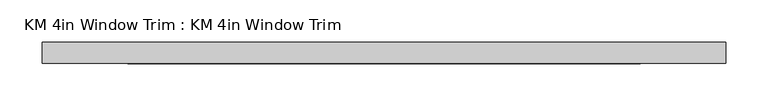
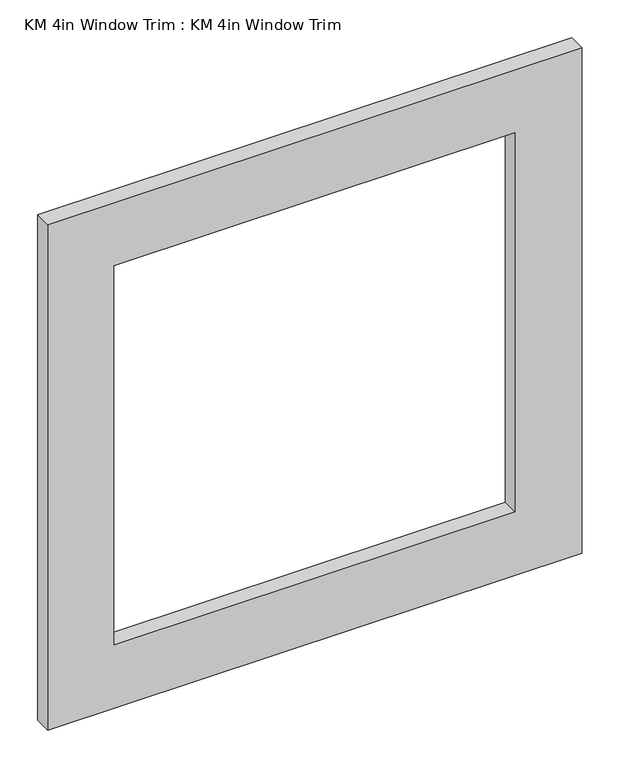
"""IFC4 building model written with IfcOpenShell, lengths in millimetres: proxy geometry, KM 4in Window Trim : KM 4in Window Trim."""

from ifc_helpers import new_model, si_unit, frame, origin, place, context, project, spatial, polyline, outline, extrude, source, transform, mapped, element, save


def km_4in_window_trim_km_4in_window_trim_6f2b58bd(model_context):
    return source(origin(), model_context, "Body", "SweptSolid", [
        extrude(outline(polyline([(1625.6, 406.4), (1625.6, -406.4), (812.8, -406.4), (812.8, 406.4), (1625.6, 406.4)]), holes=[polyline([(1524.0, 304.8), (914.4, 304.8), (914.4, -304.8), (1524.0, -304.8), (1524.0, 304.8)])]), frame((0.0, 50.8, 0.0), z_axis=(0.0, 1.0, 0.0), x_axis=(0.0, 0.0, 1.0)), (0.0, 0.0, 1.0), 25.4),
    ])


if __name__ == "__main__":
    model = new_model("IFC4")
    model_context = context("Model", 3, world=origin())
    ifc_project = project(units=[si_unit("LENGTHUNIT", "METRE", prefix="MILLI")], contexts=[model_context])
    site = spatial("IfcSite", under=ifc_project)
    building = spatial("IfcBuilding", under=site)
    placement = place(None, origin())
    km_4in_window_trim_km_4in_window_trim_shape = km_4in_window_trim_km_4in_window_trim_6f2b58bd(model_context)
    element("IfcBuildingElementProxy", 1, Name="KM 4in Window Trim : KM 4in Window Trim", ObjectType="KM 4in Window Trim : KM 4in Window Trim", at=placement, inside=building, context=model_context, shape_type="MappedRepresentation", body=[
        mapped(km_4in_window_trim_km_4in_window_trim_shape, transform((0.0, 0.0, 0.0), x_axis=(1.0, 0.0, 0.0), y_axis=(0.0, 1.0, 0.0), z_axis=(0.0, 0.0, 1.0))),
    ])
    save(model, "model.ifc")
